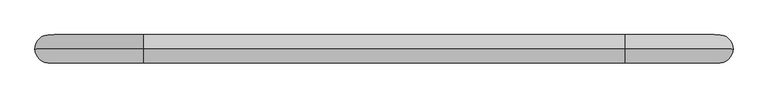
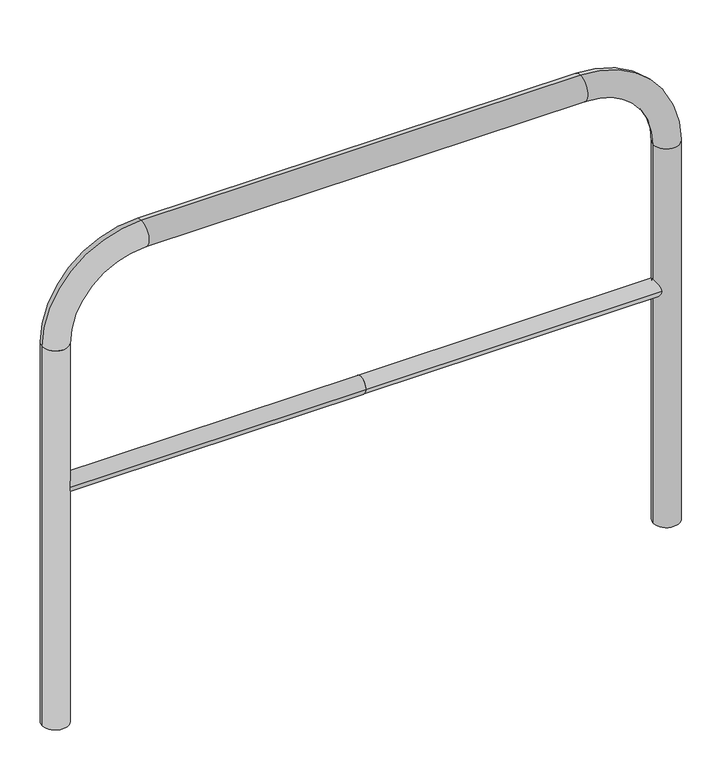
"""IFC4 building model written with IfcOpenShell, lengths in millimetres: proxy geometry."""

import ifcopenshell
import ifcopenshell.guid

model = None  # the IFC model being written
_history = None  # IfcOwnerHistory: only IFC2X3 demands one
_inside = {}  # id of a spatial element -> (the spatial element, [elements in it])
_under = {}  # id of a project, library or spatial element -> (it, [spatial elements below it])
_declared = {}  # id of a project -> (the project, [libraries it declares])
_typed = {}  # id of a type object -> (the type object, [elements of that type])
_made_of = {}  # id of a material, layer set ... -> (it, [elements and type objects made of it])


def new_model(schema):
    """Start an empty IFC model of exactly this schema.

    Asked for "IFC4X3", IfcOpenShell would pick the latest addendum, in which some entities
    have other attributes; the version numbers below select the first issue.
    IFC2X3 requires an IfcOwnerHistory on every rooted entity: one is made here for all.
    """
    global model, _history
    if schema == "IFC4X3":
        model = ifcopenshell.file(schema_version=(4, 3, 0, 0))
    else:
        model = ifcopenshell.file(schema=schema)
    _inside.clear()
    _under.clear()
    _declared.clear()
    _typed.clear()
    _made_of.clear()
    _history = None
    if model.schema == "IFC2X3":
        org = make("IfcOrganization", Name="unknown")
        user = make(
            "IfcPersonAndOrganization",
            ThePerson=make("IfcPerson", FamilyName="unknown"),
            TheOrganization=org,
        )
        app = make(
            "IfcApplication",
            ApplicationDeveloper=org,
            Version="unknown",
            ApplicationFullName="unknown",
            ApplicationIdentifier="unknown",
        )
        _history = make(
            "IfcOwnerHistory",
            OwningUser=user,
            OwningApplication=app,
            ChangeAction="ADDED",
            CreationDate=0,
        )
    return model


def make(cls, **values):
    """One entity of the class cls with the attributes given. An attribute that is None is left unset."""
    return model.create_entity(
        cls, **{name: value for name, value in values.items() if value is not None}
    )


def rooted(cls, **values):
    """An entity with a GlobalId (a new one), such as an element, a storey or a relation."""
    return make(cls, GlobalId=ifcopenshell.guid.new(), OwnerHistory=_history, **values)


def si_unit(unit_type, name, prefix=None):
    """IfcSIUnit, for example si_unit("LENGTHUNIT", "METRE", prefix="MILLI")."""
    return make("IfcSIUnit", UnitType=unit_type, Prefix=prefix, Name=name)


def assignment(units):
    """IfcUnitAssignment: the units of a project."""
    return None if units is None else make("IfcUnitAssignment", Units=units)


def point(xyz):
    """IfcCartesianPoint."""
    return None if xyz is None else make("IfcCartesianPoint", Coordinates=xyz)


def direction(xyz):
    """IfcDirection."""
    return None if xyz is None else make("IfcDirection", DirectionRatios=xyz)


def frame(location, z_axis=None, x_axis=None):
    """IfcAxis2Placement3D, a coordinate frame: its origin and axes. An axis left out is left unset."""
    return make(
        "IfcAxis2Placement3D",
        Location=point(location),
        Axis=direction(z_axis),
        RefDirection=direction(x_axis),
    )


def frame_2d(location, x_axis=None):
    """IfcAxis2Placement2D, a coordinate frame in the plane: its origin and x axis."""
    return make(
        "IfcAxis2Placement2D", Location=point(location), RefDirection=direction(x_axis)
    )


def origin():
    """The frame at (0, 0, 0) with its axes left unset."""
    return frame((0.0, 0.0, 0.0))


def place(relative_to, where):
    """IfcLocalPlacement: puts the frame where relative to a parent placement (None: the world)."""
    return make(
        "IfcLocalPlacement", PlacementRelTo=relative_to, RelativePlacement=where
    )


def context(
    kind, dimensions, precision=None, world=None, true_north=None, identifier=None
):
    """IfcGeometricRepresentationContext, for example the 3D "Model" context."""
    return make(
        "IfcGeometricRepresentationContext",
        ContextIdentifier=identifier,
        ContextType=kind,
        CoordinateSpaceDimension=dimensions,
        Precision=precision,
        WorldCoordinateSystem=world,
        TrueNorth=true_north,
    )


def project(units=None, contexts=None):
    """IfcProject with its units and contexts."""
    return rooted(
        "IfcProject",
        Name="project",
        RepresentationContexts=contexts,
        UnitsInContext=assignment(units),
    )


def spatial(cls, under=None, at=None, **own):
    """A site, building, storey or space (cls), placed at a placement, below another one or the project."""
    s = rooted(cls, ObjectPlacement=at, **own)
    if under is not None:
        _under.setdefault(under.id(), (under, []))[1].append(s)
    return s


def circle_curve(where, radius):
    """IfcCircle in the frame where."""
    return make("IfcCircle", Position=where, Radius=radius)


def ellipse_curve(where, semi_axis1, semi_axis2):
    """IfcEllipse in the frame where."""
    return make(
        "IfcEllipse", Position=where, SemiAxis1=semi_axis1, SemiAxis2=semi_axis2
    )


def trimmed(basis, trim1, trim2, sense, master):
    """IfcTrimmedCurve: the piece of a basis curve between two trims."""
    return make(
        "IfcTrimmedCurve",
        BasisCurve=basis,
        Trim1=trim1,
        Trim2=trim2,
        SenseAgreement=sense,
        MasterRepresentation=master,
    )


def segment(curve, same_sense, transition):
    """IfcCompositeCurveSegment."""
    return make(
        "IfcCompositeCurveSegment",
        Transition=transition,
        SameSense=same_sense,
        ParentCurve=curve,
    )


def composite_curve(segments, self_intersect=None):
    """IfcCompositeCurve: segments joined end to end."""
    return make("IfcCompositeCurve", Segments=segments, SelfIntersect=self_intersect)


def outline(outer, holes=None, kind="AREA"):
    """IfcArbitraryClosedProfileDef: a profile drawn as a closed curve; with holes, ...WithVoids."""
    if holes is None:
        return make("IfcArbitraryClosedProfileDef", ProfileType=kind, OuterCurve=outer)
    return make(
        "IfcArbitraryProfileDefWithVoids",
        ProfileType=kind,
        OuterCurve=outer,
        InnerCurves=holes,
    )


def extrude(swept, where, along, depth):
    """IfcExtrudedAreaSolid: the profile swept, set in the frame where, extruded along a direction by depth."""
    return make(
        "IfcExtrudedAreaSolid",
        SweptArea=swept,
        Position=where,
        ExtrudedDirection=direction(along),
        Depth=depth,
    )


def shape(context_of_items, identifier, shape_type, items):
    """IfcShapeRepresentation: the items that make up one representation, for example the "Body"."""
    return make(
        "IfcShapeRepresentation",
        ContextOfItems=context_of_items,
        RepresentationIdentifier=identifier,
        RepresentationType=shape_type,
        Items=items,
    )


def source(mapping_origin, context_of_items, identifier, shape_type, items):
    """IfcRepresentationMap: a shape defined once, which mapped items show again and again."""
    return make(
        "IfcRepresentationMap",
        MappingOrigin=mapping_origin,
        MappedRepresentation=shape(context_of_items, identifier, shape_type, items),
    )


def transform(
    local_origin,
    x_axis=None,
    y_axis=None,
    z_axis=None,
    scale=None,
    scale2=None,
    scale3=None,
    uniform=True,
):
    """IfcCartesianTransformationOperator3D, or its non-uniform kind. x_axis, y_axis, z_axis: its Axis1, 2, 3."""
    if uniform:
        return make(
            "IfcCartesianTransformationOperator3D",
            Axis1=direction(x_axis),
            Axis2=direction(y_axis),
            LocalOrigin=point(local_origin),
            Scale=scale,
            Axis3=direction(z_axis),
        )
    return make(
        "IfcCartesianTransformationOperator3DnonUniform",
        Axis1=direction(x_axis),
        Axis2=direction(y_axis),
        LocalOrigin=point(local_origin),
        Scale=scale,
        Axis3=direction(z_axis),
        Scale2=scale2,
        Scale3=scale3,
    )


def mapped(mapping_source, mapping_target):
    """IfcMappedItem: shows the shape of a source again, moved by a transform."""
    return make(
        "IfcMappedItem", MappingSource=mapping_source, MappingTarget=mapping_target
    )


def made_of(thing, what):
    """Note that an element or type object is made of a material, layer set ...; save() writes the relation."""
    if what is not None:
        _made_of.setdefault(what.id(), (what, []))[1].append(thing)
    return thing


def element(
    cls,
    number,
    at=None,
    inside=None,
    cuts=None,
    type_object=None,
    material=None,
    context=None,
    identifier="Body",
    shape_type=None,
    held_by="IfcProductDefinitionShape",
    body=None,
    shapes=None,
    **own,
):
    """One element of the class cls, such as IfcWall. Its Tag is "e" and its number.

    at: its placement. inside: the storey or other place that contains it. cuts: it is an
    opening in that element (IfcRelVoidsElement). A single representation is given by context,
    identifier, shape_type and body (its items); several are given by shapes. held_by: the class
    of the entity that holds the representations. save() writes the other relations.
    """
    e = rooted(cls, Tag="e%d" % number, ObjectPlacement=at, **own)
    if body is not None:
        shapes = [shape(context, identifier, shape_type, body)]
    if shapes is not None:
        e.Representation = make(held_by, Representations=shapes)
    if inside is not None:
        _inside.setdefault(inside.id(), (inside, []))[1].append(e)
    if cuts is not None:
        rooted(
            "IfcRelVoidsElement", RelatingBuildingElement=cuts, RelatedOpeningElement=e
        )
    if type_object is not None:
        _typed.setdefault(type_object.id(), (type_object, []))[1].append(e)
    return made_of(e, material)


def aggregate(whole, parts):
    """IfcRelAggregates: a whole, such as a stair, and the parts it consists of."""
    return rooted("IfcRelAggregates", RelatingObject=whole, RelatedObjects=parts)


def save(model, path):
    """Write the relations noted so far, then the file.

    IfcRelAggregates (storeys below a building ...), IfcRelContainedInSpatialStructure (elements
    in a storey), IfcRelDefinesByType, IfcRelAssociatesMaterial and IfcRelDeclares: one each for
    every whole, place, type object, material and project.
    """
    for whole, parts in _under.values():
        aggregate(whole, parts)
    for where, things in _inside.values():
        rooted(
            "IfcRelContainedInSpatialStructure",
            RelatedElements=things,
            RelatingStructure=where,
        )
    for kind, things in _typed.values():
        rooted("IfcRelDefinesByType", RelatedObjects=things, RelatingType=kind)
    for what, things in _made_of.values():
        rooted("IfcRelAssociatesMaterial", RelatedObjects=things, RelatingMaterial=what)
    for by, libraries in _declared.values():
        rooted("IfcRelDeclares", RelatingContext=by, RelatedDefinitions=libraries)
    model.write(path)


def plane_surface(at):
    """IfcPlane: the flat surface through the origin of the frame at, square to its z axis."""
    return make("IfcPlane", Position=at)


def cylinder_surface(at, radius):
    """IfcCylindricalSurface: all points at the distance radius from the z axis of the frame at."""
    return make("IfcCylindricalSurface", Position=at, Radius=radius)


def revolved_surface(curve, axis_point, axis_direction):
    """IfcSurfaceOfRevolution: the curve turned about the line through axis_point along axis_direction."""
    return make(
        "IfcSurfaceOfRevolution",
        SweptCurve=make("IfcArbitraryOpenProfileDef", ProfileType="CURVE", Curve=curve),
        AxisPosition=make("IfcAxis1Placement", Location=point(axis_point), Axis=direction(axis_direction)),
    )


def advanced_brep(points, edges, surfaces, faces):
    """IfcAdvancedBrep: a solid bounded by faces that lie on surfaces and meet in shared edges.

    An edge is (start, end): straight between two places in points (the first is 0);
    or (start, end, curve); or (start, end, curve, False) where it runs against its curve.
    A face is (place in surfaces, loops), or (place, loops, False) where it looks against
    its surface's normal. A loop lists edges by number (the first is 1), with a minus sign
    where the edge is run from its end to its start. The first loop is the outer one.
    """
    corners = [point(p) for p in points]
    vertices = [make("IfcVertexPoint", VertexGeometry=c) for c in corners]
    made = []
    for start, end, *more in edges:
        made.append(
            make(
                "IfcEdgeCurve",
                EdgeStart=vertices[start],
                EdgeEnd=vertices[end],
                EdgeGeometry=more[0] if more else make("IfcPolyline", Points=[corners[start], corners[end]]),
                SameSense=more[1] if len(more) > 1 else True,
            )
        )
    hull = []
    for where, loops, *sense in faces:
        bounds = []
        for j, loop in enumerate(loops):
            ring = [make("IfcOrientedEdge", EdgeElement=made[abs(k) - 1], Orientation=k > 0) for k in loop]
            bounds.append(
                make(
                    "IfcFaceOuterBound" if j == 0 else "IfcFaceBound",
                    Bound=make("IfcEdgeLoop", EdgeList=ring),
                    Orientation=True,
                )
            )
        hull.append(make("IfcAdvancedFace", Bounds=bounds, FaceSurface=surfaces[where], SameSense=sense[0] if sense else True))
    return make("IfcAdvancedBrep", Outer=make("IfcClosedShell", CfsFaces=hull))


def generic_models_5253c5e4(model_context):
    return source(origin(), model_context, "Body", "SolidModel", [
        extrude(outline(composite_curve([segment(trimmed(circle_curve(frame_2d((0.0, 498.4778375)), 20.0), [point((-20.0, 498.4778375))], [point((20.0, 498.4778375))], False, "CARTESIAN"), True, "CONTINUOUS"), segment(trimmed(circle_curve(frame_2d((0.0, 498.4778375)), 20.0), [point((20.0, 498.4778375))], [point((-20.0, 498.4778375))], False, "CARTESIAN"), True, "CONTINUOUS")], self_intersect=False)), frame((-709.4802602, 0.0, 0.0), z_axis=(1.0, 0.0, 0.0), x_axis=(0.0, 1.0, 0.0)), (0.0, 0.0, 1.0), 709.4802602),
        extrude(outline(composite_curve([segment(trimmed(circle_curve(frame_2d((0.0, 498.4778375)), 20.0), [point((-20.0, 498.4778375))], [point((20.0, 498.4778375))], False, "CARTESIAN"), True, "CONTINUOUS"), segment(trimmed(circle_curve(frame_2d((0.0, 498.4778375)), 20.0), [point((20.0, 498.4778375))], [point((-20.0, 498.4778375))], False, "CARTESIAN"), True, "CONTINUOUS")], self_intersect=False)), frame((0.0, 0.0, 0.0), z_axis=(1.0, 0.0, 0.0), x_axis=(0.0, 1.0, 0.0)), (0.0, 0.0, 1.0), 709.4802602),
        advanced_brep(
        [(-679.4802602, 0.0, -80.0), (-739.4802602, 0.0, -80.0), (-679.4802602, 0.0, 850.0), (-739.4802602, 0.0, 850.0), (-509.4802602, 0.0, 1080.0), (-509.4802602, 0.0, 1020.0), (509.4802602, 0.0, 1020.0), (509.4802602, 0.0, 1080.0), (739.4802602, 0.0, 850.0), (679.4802602, 0.0, 850.0), (679.4802602, 0.0, -80.0), (739.4802602, 0.0, -80.0)],
        [
            (0, 1, circle_curve(frame((-709.4802602, 0.0, -80.0), z_axis=(0.0, 0.0, -1.0), x_axis=(-1.0, 0.0, 0.0)), 30.0)),
            (1, 0, circle_curve(frame((-709.4802602, 0.0, -80.0), z_axis=(0.0, 0.0, -1.0), x_axis=(-1.0, 0.0, 0.0)), 30.0)),
            (0, 2),
            (2, 3, circle_curve(frame((-709.4802602, 0.0, 850.0), z_axis=(0.0, 0.0, -1.0), x_axis=(-1.0, 0.0, 0.0)), 30.0)),
            (3, 1),
            (3, 2, circle_curve(frame((-709.4802602, 0.0, 850.0), z_axis=(0.0, 0.0, -1.0), x_axis=(-1.0, 0.0, 0.0)), 30.0)),
            (4, 3, circle_curve(frame((-509.4802602, 0.0, 850.0), z_axis=(0.0, -1.0, 0.0), x_axis=(-1.0, 0.0, 0.0)), 230.0)),
            (2, 5, circle_curve(frame((-509.4802602, 0.0, 850.0), z_axis=(0.0, 1.0, 0.0), x_axis=(-1.0, 0.0, 0.0)), 170.0)),
            (5, 4, circle_curve(frame((-509.4802602, 0.0, 1050.0), z_axis=(-1.0, 0.0, 0.0), x_axis=(0.0, 0.0, 1.0)), 30.0)),
            (4, 5, circle_curve(frame((-509.4802602, 0.0, 1050.0), z_axis=(-1.0, 0.0, 0.0), x_axis=(0.0, 0.0, 1.0)), 30.0)),
            (5, 6),
            (6, 7, circle_curve(frame((509.4802602, 0.0, 1050.0), z_axis=(-1.0, 0.0, 0.0), x_axis=(0.0, 0.0, 1.0)), 30.0)),
            (7, 4),
            (7, 6, circle_curve(frame((509.4802602, 0.0, 1050.0), z_axis=(-1.0, 0.0, 0.0), x_axis=(0.0, 0.0, 1.0)), 30.0)),
            (8, 7, circle_curve(frame((509.4802602, 0.0, 850.0), z_axis=(0.0, -1.0, 0.0), x_axis=(0.0, 0.0, 1.0)), 230.0)),
            (6, 9, circle_curve(frame((509.4802602, 0.0, 850.0), z_axis=(0.0, 1.0, 0.0), x_axis=(0.0, 0.0, 1.0)), 170.0)),
            (9, 8, circle_curve(frame((709.4802602, 0.0, 850.0), z_axis=(0.0, 0.0, 1.0), x_axis=(1.0, 0.0, 0.0)), 30.0)),
            (8, 9, circle_curve(frame((709.4802602, 0.0, 850.0), z_axis=(0.0, 0.0, 1.0), x_axis=(1.0, 0.0, 0.0)), 30.0)),
            (10, 11, circle_curve(frame((709.4802602, 0.0, -80.0), z_axis=(0.0, 0.0, -1.0), x_axis=(1.0, 0.0, 0.0)), 30.0)),
            (11, 10, circle_curve(frame((709.4802602, 0.0, -80.0), z_axis=(0.0, 0.0, -1.0), x_axis=(1.0, 0.0, 0.0)), 30.0)),
            (9, 10),
            (11, 8),
        ],
        [
            plane_surface(frame((-709.4802602, 0.0, -80.0), z_axis=(0.0, 0.0, -1.0), x_axis=(0.0, -1.0, 0.0))),
            cylinder_surface(frame((-709.4802602, 0.0, -80.0), z_axis=(0.0, 0.0, -1.0), x_axis=(-1.0, 0.0, 0.0)), 30.0),
            revolved_surface(trimmed(ellipse_curve(frame((-709.4802602, 0.0, 850.0), z_axis=(0.0, 0.0, -1.0), x_axis=(-1.0, 0.0, 0.0)), 30.0, 30.0), [point((-679.4802602, 0.0, 850.0))], [point((-739.4802602, 0.0, 850.0))], True, "CARTESIAN"), (-509.4802602, 0.0, 850.0), (0.0, 1.0, 0.0)),
            revolved_surface(trimmed(ellipse_curve(frame((-709.4802602, 0.0, 850.0), z_axis=(0.0, 0.0, -1.0), x_axis=(-1.0, 0.0, 0.0)), 30.0, 30.0), [point((-739.4802602, 0.0, 850.0))], [point((-679.4802602, 0.0, 850.0))], True, "CARTESIAN"), (-509.4802602, 0.0, 850.0), (0.0, 1.0, 0.0)),
            cylinder_surface(frame((-509.4802602, 0.0, 1050.0), z_axis=(-1.0, 0.0, 0.0), x_axis=(0.0, 0.0, 1.0)), 30.0),
            revolved_surface(trimmed(ellipse_curve(frame((509.4802602, 0.0, 1050.0), z_axis=(-1.0, 0.0, 0.0), x_axis=(0.0, 0.0, 1.0)), 30.0, 30.0), [point((509.4802602, 0.0, 1020.0))], [point((509.4802602, 0.0, 1080.0))], True, "CARTESIAN"), (509.4802602, 0.0, 850.0), (0.0, 1.0, 0.0)),
            revolved_surface(trimmed(ellipse_curve(frame((509.4802602, 0.0, 1050.0), z_axis=(-1.0, 0.0, 0.0), x_axis=(0.0, 0.0, 1.0)), 30.0, 30.0), [point((509.4802602, 0.0, 1080.0))], [point((509.4802602, 0.0, 1020.0))], True, "CARTESIAN"), (509.4802602, 0.0, 850.0), (0.0, 1.0, 0.0)),
            plane_surface(frame((709.4802602, 0.0, -80.0), z_axis=(0.0, 0.0, -1.0), x_axis=(0.0, -1.0, 0.0))),
            cylinder_surface(frame((709.4802602, 0.0, 850.0), z_axis=(0.0, 0.0, 1.0), x_axis=(1.0, 0.0, 0.0)), 30.0),
        ],
        [
            (0, [[1, 2]]),
            (1, [[-1, 3, 4, 5]]),
            (1, [[-2, -5, 6, -3]]),
            (2, [[7, -4, 8, 9]]),
            (3, [[-8, -6, -7, 10]]),
            (4, [[-9, 11, 12, 13]]),
            (4, [[-10, -13, 14, -11]]),
            (5, [[15, -12, 16, 17]]),
            (6, [[-16, -14, -15, 18]]),
            (7, [[19, 20]]),
            (8, [[-17, 21, -20, 22]]),
            (8, [[-18, -22, -19, -21]]),
        ],
    ),
    ])


if __name__ == "__main__":
    model = new_model("IFC4")
    model_context = context("Model", 3, world=origin())
    ifc_project = project(units=[si_unit("LENGTHUNIT", "METRE", prefix="MILLI")], contexts=[model_context])
    site = spatial("IfcSite", under=ifc_project)
    building = spatial("IfcBuilding", under=site)
    placement = place(None, origin())
    generic_models_shape = generic_models_5253c5e4(model_context)
    element("IfcBuildingElementProxy", 1, Name="Generic Models", at=placement, inside=building, context=model_context, shape_type="MappedRepresentation", body=[
        mapped(generic_models_shape, transform((0.0, 0.0, 0.0), x_axis=(1.0, 0.0, 0.0), y_axis=(0.0, 1.0, 0.0), z_axis=(0.0, 0.0, 1.0))),
    ])
    save(model, "model.ifc")
